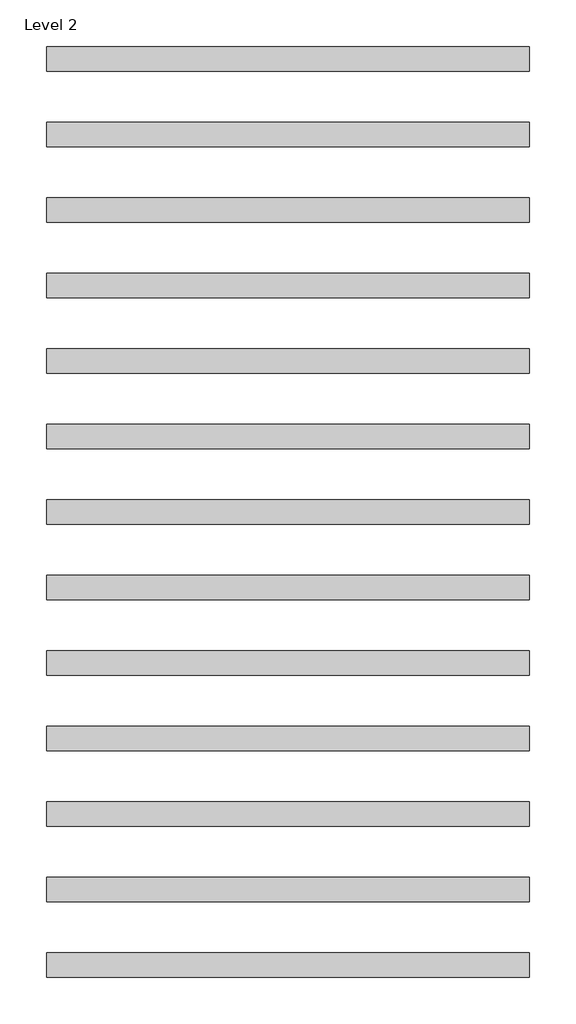
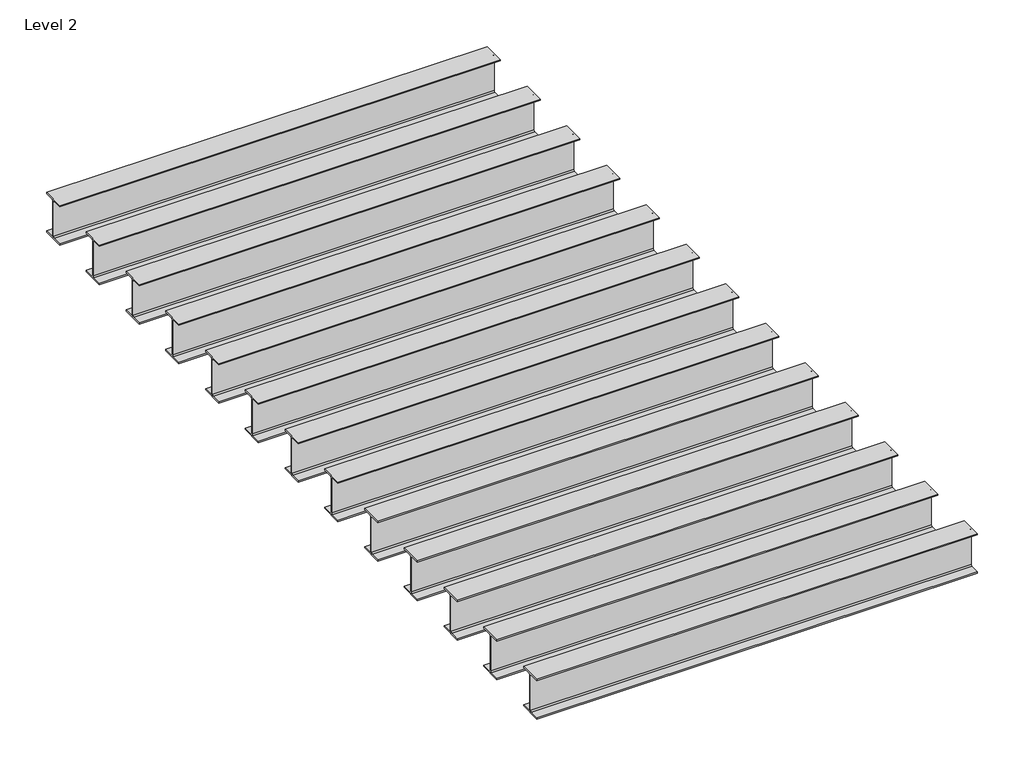
# One storey: 13 beams.
"""IFC4 building model written with IfcOpenShell, lengths in millimetres."""

import ifcopenshell
import ifcopenshell.guid

model = None  # the IFC model being written
_history = None  # IfcOwnerHistory: only IFC2X3 demands one
_inside = {}  # id of a spatial element -> (the spatial element, [elements in it])
_under = {}  # id of a project, library or spatial element -> (it, [spatial elements below it])
_declared = {}  # id of a project -> (the project, [libraries it declares])
_typed = {}  # id of a type object -> (the type object, [elements of that type])
_made_of = {}  # id of a material, layer set ... -> (it, [elements and type objects made of it])


def new_model(schema):
    """Start an empty IFC model of exactly this schema.

    Asked for "IFC4X3", IfcOpenShell would pick the latest addendum, in which some entities
    have other attributes; the version numbers below select the first issue.
    IFC2X3 requires an IfcOwnerHistory on every rooted entity: one is made here for all.
    """
    global model, _history
    if schema == "IFC4X3":
        model = ifcopenshell.file(schema_version=(4, 3, 0, 0))
    else:
        model = ifcopenshell.file(schema=schema)
    _inside.clear()
    _under.clear()
    _declared.clear()
    _typed.clear()
    _made_of.clear()
    _history = None
    if model.schema == "IFC2X3":
        org = make("IfcOrganization", Name="unknown")
        user = make(
            "IfcPersonAndOrganization",
            ThePerson=make("IfcPerson", FamilyName="unknown"),
            TheOrganization=org,
        )
        app = make(
            "IfcApplication",
            ApplicationDeveloper=org,
            Version="unknown",
            ApplicationFullName="unknown",
            ApplicationIdentifier="unknown",
        )
        _history = make(
            "IfcOwnerHistory",
            OwningUser=user,
            OwningApplication=app,
            ChangeAction="ADDED",
            CreationDate=0,
        )
    return model


def make(cls, **values):
    """One entity of the class cls with the attributes given. An attribute that is None is left unset."""
    return model.create_entity(
        cls, **{name: value for name, value in values.items() if value is not None}
    )


def rooted(cls, **values):
    """An entity with a GlobalId (a new one), such as an element, a storey or a relation."""
    return make(cls, GlobalId=ifcopenshell.guid.new(), OwnerHistory=_history, **values)


def si_unit(unit_type, name, prefix=None):
    """IfcSIUnit, for example si_unit("LENGTHUNIT", "METRE", prefix="MILLI")."""
    return make("IfcSIUnit", UnitType=unit_type, Prefix=prefix, Name=name)


def assignment(units):
    """IfcUnitAssignment: the units of a project."""
    return None if units is None else make("IfcUnitAssignment", Units=units)


def point(xyz):
    """IfcCartesianPoint."""
    return None if xyz is None else make("IfcCartesianPoint", Coordinates=xyz)


def direction(xyz):
    """IfcDirection."""
    return None if xyz is None else make("IfcDirection", DirectionRatios=xyz)


def frame(location, z_axis=None, x_axis=None):
    """IfcAxis2Placement3D, a coordinate frame: its origin and axes. An axis left out is left unset."""
    return make(
        "IfcAxis2Placement3D",
        Location=point(location),
        Axis=direction(z_axis),
        RefDirection=direction(x_axis),
    )


def frame_2d(location, x_axis=None):
    """IfcAxis2Placement2D, a coordinate frame in the plane: its origin and x axis."""
    return make(
        "IfcAxis2Placement2D", Location=point(location), RefDirection=direction(x_axis)
    )


def origin():
    """The frame at (0, 0, 0) with its axes left unset."""
    return frame((0.0, 0.0, 0.0))


def place(relative_to, where):
    """IfcLocalPlacement: puts the frame where relative to a parent placement (None: the world)."""
    return make(
        "IfcLocalPlacement", PlacementRelTo=relative_to, RelativePlacement=where
    )


def context(
    kind, dimensions, precision=None, world=None, true_north=None, identifier=None
):
    """IfcGeometricRepresentationContext, for example the 3D "Model" context."""
    return make(
        "IfcGeometricRepresentationContext",
        ContextIdentifier=identifier,
        ContextType=kind,
        CoordinateSpaceDimension=dimensions,
        Precision=precision,
        WorldCoordinateSystem=world,
        TrueNorth=true_north,
    )


def project(units=None, contexts=None):
    """IfcProject with its units and contexts."""
    return rooted(
        "IfcProject",
        Name="project",
        RepresentationContexts=contexts,
        UnitsInContext=assignment(units),
    )


def spatial(cls, under=None, at=None, **own):
    """A site, building, storey or space (cls), placed at a placement, below another one or the project."""
    s = rooted(cls, ObjectPlacement=at, **own)
    if under is not None:
        _under.setdefault(under.id(), (under, []))[1].append(s)
    return s


def polyline(points):
    """IfcPolyline through the points."""
    return make("IfcPolyline", Points=[point(p) for p in points])


def circle_curve(where, radius):
    """IfcCircle in the frame where."""
    return make("IfcCircle", Position=where, Radius=radius)


def trimmed(basis, trim1, trim2, sense, master):
    """IfcTrimmedCurve: the piece of a basis curve between two trims."""
    return make(
        "IfcTrimmedCurve",
        BasisCurve=basis,
        Trim1=trim1,
        Trim2=trim2,
        SenseAgreement=sense,
        MasterRepresentation=master,
    )


def segment(curve, same_sense, transition):
    """IfcCompositeCurveSegment."""
    return make(
        "IfcCompositeCurveSegment",
        Transition=transition,
        SameSense=same_sense,
        ParentCurve=curve,
    )


def composite_curve(segments, self_intersect=None):
    """IfcCompositeCurve: segments joined end to end."""
    return make("IfcCompositeCurve", Segments=segments, SelfIntersect=self_intersect)


def outline(outer, holes=None, kind="AREA"):
    """IfcArbitraryClosedProfileDef: a profile drawn as a closed curve; with holes, ...WithVoids."""
    if holes is None:
        return make("IfcArbitraryClosedProfileDef", ProfileType=kind, OuterCurve=outer)
    return make(
        "IfcArbitraryProfileDefWithVoids",
        ProfileType=kind,
        OuterCurve=outer,
        InnerCurves=holes,
    )


def extrude(swept, where, along, depth):
    """IfcExtrudedAreaSolid: the profile swept, set in the frame where, extruded along a direction by depth."""
    return make(
        "IfcExtrudedAreaSolid",
        SweptArea=swept,
        Position=where,
        ExtrudedDirection=direction(along),
        Depth=depth,
    )


def shape(context_of_items, identifier, shape_type, items):
    """IfcShapeRepresentation: the items that make up one representation, for example the "Body"."""
    return make(
        "IfcShapeRepresentation",
        ContextOfItems=context_of_items,
        RepresentationIdentifier=identifier,
        RepresentationType=shape_type,
        Items=items,
    )


def source(mapping_origin, context_of_items, identifier, shape_type, items):
    """IfcRepresentationMap: a shape defined once, which mapped items show again and again."""
    return make(
        "IfcRepresentationMap",
        MappingOrigin=mapping_origin,
        MappedRepresentation=shape(context_of_items, identifier, shape_type, items),
    )


def transform(
    local_origin,
    x_axis=None,
    y_axis=None,
    z_axis=None,
    scale=None,
    scale2=None,
    scale3=None,
    uniform=True,
):
    """IfcCartesianTransformationOperator3D, or its non-uniform kind. x_axis, y_axis, z_axis: its Axis1, 2, 3."""
    if uniform:
        return make(
            "IfcCartesianTransformationOperator3D",
            Axis1=direction(x_axis),
            Axis2=direction(y_axis),
            LocalOrigin=point(local_origin),
            Scale=scale,
            Axis3=direction(z_axis),
        )
    return make(
        "IfcCartesianTransformationOperator3DnonUniform",
        Axis1=direction(x_axis),
        Axis2=direction(y_axis),
        LocalOrigin=point(local_origin),
        Scale=scale,
        Axis3=direction(z_axis),
        Scale2=scale2,
        Scale3=scale3,
    )


def mapped(mapping_source, mapping_target):
    """IfcMappedItem: shows the shape of a source again, moved by a transform."""
    return make(
        "IfcMappedItem", MappingSource=mapping_source, MappingTarget=mapping_target
    )


def made_of(thing, what):
    """Note that an element or type object is made of a material, layer set ...; save() writes the relation."""
    if what is not None:
        _made_of.setdefault(what.id(), (what, []))[1].append(thing)
    return thing


def element(
    cls,
    number,
    at=None,
    inside=None,
    cuts=None,
    type_object=None,
    material=None,
    context=None,
    identifier="Body",
    shape_type=None,
    held_by="IfcProductDefinitionShape",
    body=None,
    shapes=None,
    **own,
):
    """One element of the class cls, such as IfcWall. Its Tag is "e" and its number.

    at: its placement. inside: the storey or other place that contains it. cuts: it is an
    opening in that element (IfcRelVoidsElement). A single representation is given by context,
    identifier, shape_type and body (its items); several are given by shapes. held_by: the class
    of the entity that holds the representations. save() writes the other relations.
    """
    e = rooted(cls, Tag="e%d" % number, ObjectPlacement=at, **own)
    if body is not None:
        shapes = [shape(context, identifier, shape_type, body)]
    if shapes is not None:
        e.Representation = make(held_by, Representations=shapes)
    if inside is not None:
        _inside.setdefault(inside.id(), (inside, []))[1].append(e)
    if cuts is not None:
        rooted(
            "IfcRelVoidsElement", RelatingBuildingElement=cuts, RelatedOpeningElement=e
        )
    if type_object is not None:
        _typed.setdefault(type_object.id(), (type_object, []))[1].append(e)
    return made_of(e, material)


def aggregate(whole, parts):
    """IfcRelAggregates: a whole, such as a stair, and the parts it consists of."""
    return rooted("IfcRelAggregates", RelatingObject=whole, RelatedObjects=parts)


def save(model, path):
    """Write the relations noted so far, then the file.

    IfcRelAggregates (storeys below a building ...), IfcRelContainedInSpatialStructure (elements
    in a storey), IfcRelDefinesByType, IfcRelAssociatesMaterial and IfcRelDeclares: one each for
    every whole, place, type object, material and project.
    """
    for whole, parts in _under.values():
        aggregate(whole, parts)
    for where, things in _inside.values():
        rooted(
            "IfcRelContainedInSpatialStructure",
            RelatedElements=things,
            RelatingStructure=where,
        )
    for kind, things in _typed.values():
        rooted("IfcRelDefinesByType", RelatedObjects=things, RelatingType=kind)
    for what, things in _made_of.values():
        rooted("IfcRelAssociatesMaterial", RelatedObjects=things, RelatingMaterial=what)
    for by, libraries in _declared.values():
        rooted("IfcRelDeclares", RelatingContext=by, RelatedDefinitions=libraries)
    model.write(path)


def ub_universal_beams_ub305x165x40_82a1efd1(model_context):
    return source(origin(), model_context, "Body", "SweptSolid", [
        extrude(outline(composite_curve([segment(polyline([(82.5, -141.5), (82.5, -151.7), (-82.5, -151.7), (-82.5, -141.5), (-11.9, -141.5)]), True, "CONTINUOUS"), segment(trimmed(circle_curve(frame_2d((-11.9, -132.6)), 8.9), [point((-11.9, -141.5))], [point((-3.0, -132.6))], True, "CARTESIAN"), True, "CONTINUOUS"), segment(polyline([(-3.0, -132.6), (-3.0, 132.6)]), True, "CONTINUOUS"), segment(trimmed(circle_curve(frame_2d((-11.9, 132.6)), 8.9), [point((-3.0, 132.6))], [point((-11.9, 141.5))], True, "CARTESIAN"), True, "CONTINUOUS"), segment(polyline([(-11.9, 141.5), (-82.5, 141.5), (-82.5, 151.7), (82.5, 151.7), (82.5, 141.5), (11.9, 141.5)]), True, "CONTINUOUS"), segment(trimmed(circle_curve(frame_2d((11.9, 132.6)), 8.9), [point((11.9, 141.5))], [point((3.0, 132.6))], True, "CARTESIAN"), True, "CONTINUOUS"), segment(polyline([(3.0, 132.6), (3.0, -132.6)]), True, "CONTINUOUS"), segment(trimmed(circle_curve(frame_2d((11.9, -132.6)), 8.9), [point((3.0, -132.6))], [point((11.9, -141.5))], True, "CARTESIAN"), True, "CONTINUOUS"), segment(polyline([(11.9, -141.5), (82.5, -141.5)]), True, "CONTINUOUS")], self_intersect=False)), frame((-1600.0, 0.0, 0.0), z_axis=(1.0, 0.0, 0.0), x_axis=(0.0, 1.0, 0.0)), (0.0, 0.0, 1.0), 3200.0),
    ])


model = new_model("IFC4")

# Units and contexts
model_context = context("Model", 3, world=origin())
ifc_project = project(units=[si_unit("LENGTHUNIT", "METRE", prefix="MILLI")], contexts=[model_context])

# Site, building, storey
site = spatial("IfcSite", under=ifc_project)
building = spatial("IfcBuilding", under=site)
storey = spatial("IfcBuildingStorey", under=building, Name="Level 2", Elevation=4000.0)

# Beams
placement = place(None, origin())
ub_universal_beams_ub305x165x40_shape = ub_universal_beams_ub305x165x40_82a1efd1(model_context)
element("IfcBeam", 1, ObjectType="UB-Universal Beams : UB305x165x40", at=placement, inside=storey, context=model_context, shape_type="MappedRepresentation", body=[
    mapped(ub_universal_beams_ub305x165x40_shape, transform((-270.7653785, -4408.6540664, 3848.3), x_axis=(1.0, 0.0, 0.0), y_axis=(0.0, 1.0, 0.0), z_axis=(0.0, 0.0, 1.0))),
])
element("IfcBeam", 2, ObjectType="UB-Universal Beams : UB305x165x40", at=placement, inside=storey, context=model_context, shape_type="MappedRepresentation", body=[
    mapped(ub_universal_beams_ub305x165x40_shape, transform((-270.7653785, -3908.6540664, 3848.3), x_axis=(1.0, 0.0, 0.0), y_axis=(0.0, 1.0, 0.0), z_axis=(0.0, 0.0, 1.0))),
])
element("IfcBeam", 3, ObjectType="UB-Universal Beams : UB305x165x40", at=placement, inside=storey, context=model_context, shape_type="MappedRepresentation", body=[
    mapped(ub_universal_beams_ub305x165x40_shape, transform((-270.7653785, -3408.6540664, 3848.3), x_axis=(1.0, 0.0, 0.0), y_axis=(0.0, 1.0, 0.0), z_axis=(0.0, 0.0, 1.0))),
])
element("IfcBeam", 4, ObjectType="UB-Universal Beams : UB305x165x40", at=placement, inside=storey, context=model_context, shape_type="MappedRepresentation", body=[
    mapped(ub_universal_beams_ub305x165x40_shape, transform((-270.7653785, -2908.6540664, 3848.3), x_axis=(1.0, 0.0, 0.0), y_axis=(0.0, 1.0, 0.0), z_axis=(0.0, 0.0, 1.0))),
])
element("IfcBeam", 5, ObjectType="UB-Universal Beams : UB305x165x40", at=placement, inside=storey, context=model_context, shape_type="MappedRepresentation", body=[
    mapped(ub_universal_beams_ub305x165x40_shape, transform((-270.7653785, -2408.6540664, 3848.3), x_axis=(1.0, 0.0, 0.0), y_axis=(0.0, 1.0, 0.0), z_axis=(0.0, 0.0, 1.0))),
])
element("IfcBeam", 6, ObjectType="UB-Universal Beams : UB305x165x40", at=placement, inside=storey, context=model_context, shape_type="MappedRepresentation", body=[
    mapped(ub_universal_beams_ub305x165x40_shape, transform((-270.7653785, -1908.6540664, 3848.3), x_axis=(1.0, 0.0, 0.0), y_axis=(0.0, 1.0, 0.0), z_axis=(0.0, 0.0, 1.0))),
])
element("IfcBeam", 7, ObjectType="UB-Universal Beams : UB305x165x40", at=placement, inside=storey, context=model_context, shape_type="MappedRepresentation", body=[
    mapped(ub_universal_beams_ub305x165x40_shape, transform((-270.7653785, -1408.6540664, 3848.3), x_axis=(1.0, 0.0, 0.0), y_axis=(0.0, 1.0, 0.0), z_axis=(0.0, 0.0, 1.0))),
])
element("IfcBeam", 8, ObjectType="UB-Universal Beams : UB305x165x40", at=placement, inside=storey, context=model_context, shape_type="MappedRepresentation", body=[
    mapped(ub_universal_beams_ub305x165x40_shape, transform((-270.7653785, -908.6540664, 3848.3), x_axis=(1.0, 0.0, 0.0), y_axis=(0.0, 1.0, 0.0), z_axis=(0.0, 0.0, 1.0))),
])
element("IfcBeam", 9, ObjectType="UB-Universal Beams : UB305x165x40", at=placement, inside=storey, context=model_context, shape_type="MappedRepresentation", body=[
    mapped(ub_universal_beams_ub305x165x40_shape, transform((-270.7653785, -408.6540664, 3848.3), x_axis=(1.0, 0.0, 0.0), y_axis=(0.0, 1.0, 0.0), z_axis=(0.0, 0.0, 1.0))),
])
element("IfcBeam", 10, ObjectType="UB-Universal Beams : UB305x165x40", at=placement, inside=storey, context=model_context, shape_type="MappedRepresentation", body=[
    mapped(ub_universal_beams_ub305x165x40_shape, transform((-270.7653785, 91.3459336, 3848.3), x_axis=(1.0, 0.0, 0.0), y_axis=(0.0, 1.0, 0.0), z_axis=(0.0, 0.0, 1.0))),
])
element("IfcBeam", 11, ObjectType="UB-Universal Beams : UB305x165x40", at=placement, inside=storey, context=model_context, shape_type="MappedRepresentation", body=[
    mapped(ub_universal_beams_ub305x165x40_shape, transform((-270.7653785, 591.3459336, 3848.3), x_axis=(1.0, 0.0, 0.0), y_axis=(0.0, 1.0, 0.0), z_axis=(0.0, 0.0, 1.0))),
])
element("IfcBeam", 12, ObjectType="UB-Universal Beams : UB305x165x40", at=placement, inside=storey, context=model_context, shape_type="MappedRepresentation", body=[
    mapped(ub_universal_beams_ub305x165x40_shape, transform((-270.7653785, 1091.3459336, 3848.3), x_axis=(1.0, 0.0, 0.0), y_axis=(0.0, 1.0, 0.0), z_axis=(0.0, 0.0, 1.0))),
])
element("IfcBeam", 13, ObjectType="UB-Universal Beams : UB305x165x40", at=placement, inside=storey, context=model_context, shape_type="MappedRepresentation", body=[
    mapped(ub_universal_beams_ub305x165x40_shape, transform((-270.7653785, 1591.3459336, 3848.3), x_axis=(1.0, 0.0, 0.0), y_axis=(0.0, 1.0, 0.0), z_axis=(0.0, 0.0, 1.0))),
])

save(model, "model.ifc")
